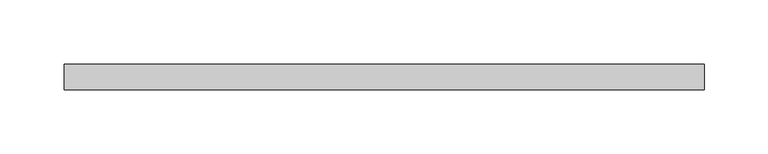
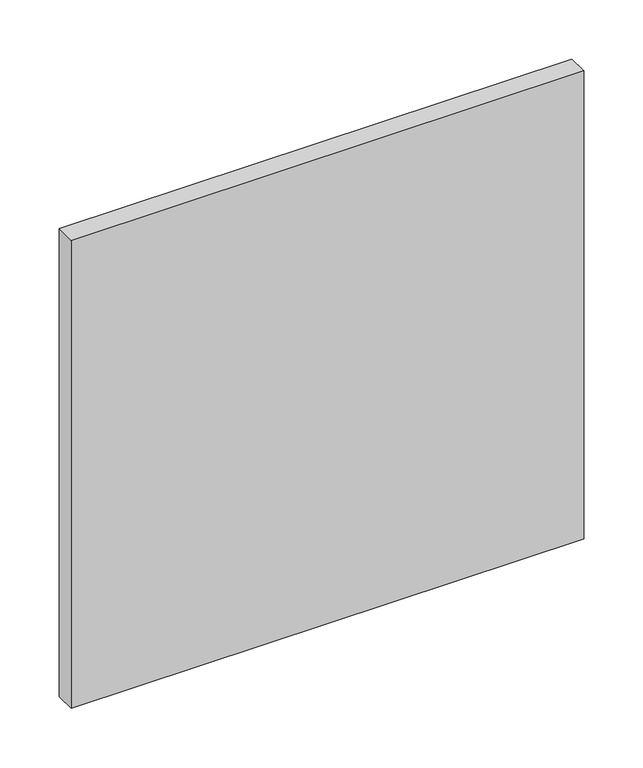
"""IFC4 building model written with IfcOpenShell, lengths in millimetres: plate geometry."""

from ifc_helpers import new_model, si_unit, origin, origin_with_axes, place, context, project, spatial, polyline, outline, extrude, source, transform, mapped, element, save


def plate_66eebf29(model_context):
    return source(origin(), model_context, "Body", "SweptSolid", [
        extrude(outline(polyline([(250.0, 70.0), (-250.0, 70.0), (-250.0, 90.0), (250.0, 90.0), (250.0, 70.0)])), origin_with_axes(), (0.0, 0.0, 1.0), 482.7375),
    ])


if __name__ == "__main__":
    model = new_model("IFC4")
    model_context = context("Model", 3, world=origin())
    ifc_project = project(units=[si_unit("LENGTHUNIT", "METRE", prefix="MILLI")], contexts=[model_context])
    site = spatial("IfcSite", under=ifc_project)
    building = spatial("IfcBuilding", under=site)
    placement = place(None, origin())
    plate_shape = plate_66eebf29(model_context)
    element("IfcPlate", 1, at=placement, inside=building, context=model_context, shape_type="MappedRepresentation", body=[
        mapped(plate_shape, transform((0.0, 0.0, 0.0), x_axis=(1.0, 0.0, 0.0), y_axis=(0.0, 1.0, 0.0), z_axis=(0.0, 0.0, 1.0))),
    ])
    save(model, "model.ifc")
